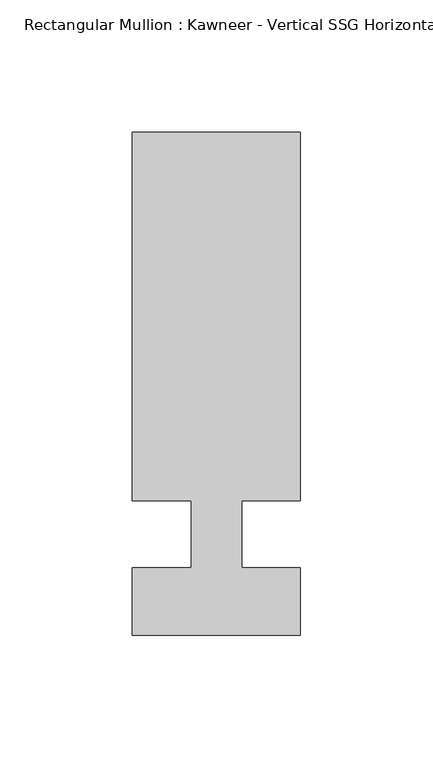
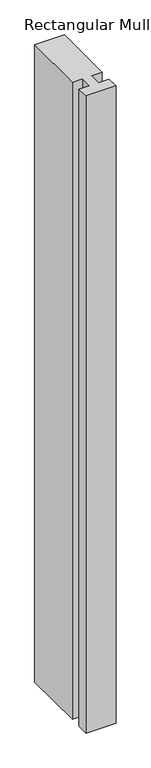
"""IFC4 building model written with IfcOpenShell, lengths in millimetres: member geometry."""

from ifc_helpers import new_model, si_unit, frame, origin, place, context, project, spatial, polyline, outline, extrude, source, transform, mapped, element, save


def member_a9bd0ea0(model_context):
    return source(origin(), model_context, "Body", "SweptSolid", [
        extrude(outline(polyline([(-9.525, -12.7), (-9.525, 12.7), (-31.75, 12.7), (-31.75, 151.892), (31.75, 151.892), (31.75, 12.7), (9.5251132, 12.7), (9.5251132, -12.7), (31.75, -12.7), (31.75, -38.1), (-31.75, -38.1), (-31.75, -12.7), (-9.525, -12.7)])), frame((0.0, 0.0, -1437.1951032), z_axis=(0.0, 0.0, 1.0), x_axis=(1.0, 0.0, 0.0)), (0.0, 0.0, 1.0), 1437.1951032),
    ])


if __name__ == "__main__":
    model = new_model("IFC4")
    model_context = context("Model", 3, world=origin())
    ifc_project = project(units=[si_unit("LENGTHUNIT", "METRE", prefix="MILLI")], contexts=[model_context])
    site = spatial("IfcSite", under=ifc_project)
    building = spatial("IfcBuilding", under=site)
    placement = place(None, origin())
    member_shape = member_a9bd0ea0(model_context)
    element("IfcMember", 1, ObjectType="Rectangular Mullion : Kawneer - Vertical SSG Horizontal Mullion - 7 1/2\"", at=placement, inside=building, context=model_context, shape_type="MappedRepresentation", body=[
        mapped(member_shape, transform((0.0, 0.0, 0.0), x_axis=(1.0, 0.0, 0.0), y_axis=(0.0, 1.0, 0.0), z_axis=(0.0, 0.0, 1.0))),
    ])
    save(model, "model.ifc")
